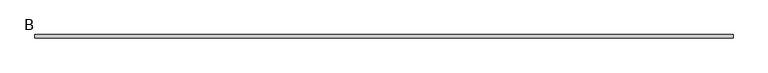
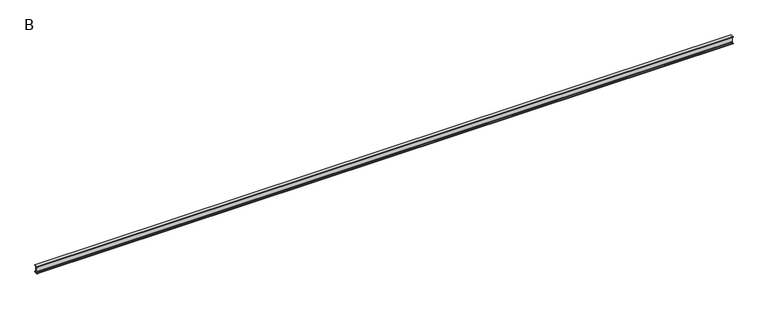
"""IFC4 building model written with IfcOpenShell, lengths in millimetres: beam geometry, B."""

from ifc_helpers import new_model, si_unit, point, frame, frame_2d, origin, place, context, project, spatial, polyline, circle_curve, trimmed, segment, composite_curve, outline, extrude, source, transform, mapped, element, save


def b_669ce034(model_context):
    return source(origin(), model_context, "Body", "SweptSolid", [
        extrude(outline(composite_curve([segment(polyline([(25.0, 50.0), (25.0, 48.5034153)]), True, "CONTINUOUS"), segment(trimmed(circle_curve(frame_2d((20.5, 48.5034153)), 4.5), [point((25.0, 48.5034153))], [point((21.126279, 44.047209))], False, "CARTESIAN"), True, "CONTINUOUS"), segment(polyline([(21.126279, 44.047209), (10.0974421, 42.497207)]), True, "CONTINUOUS"), segment(trimmed(circle_curve(frame_2d((11.35, 33.5847944)), 9.0), [point((10.0974421, 42.497207))], [point((2.35, 33.5847944))], True, "CARTESIAN"), True, "CONTINUOUS"), segment(polyline([(2.35, 33.5847944), (2.35, -33.5847944)]), True, "CONTINUOUS"), segment(trimmed(circle_curve(frame_2d((11.35, -33.5847944)), 9.0), [point((2.35, -33.5847944))], [point((10.0974421, -42.497207))], True, "CARTESIAN"), True, "CONTINUOUS"), segment(polyline([(10.0974421, -42.497207), (21.126279, -44.047209)]), True, "CONTINUOUS"), segment(trimmed(circle_curve(frame_2d((20.5, -48.5034153)), 4.5), [point((21.126279, -44.047209))], [point((25.0, -48.5034153))], False, "CARTESIAN"), True, "CONTINUOUS"), segment(polyline([(25.0, -48.5034153), (25.0, -50.0), (-25.0, -50.0), (-25.0, -48.5034153)]), True, "CONTINUOUS"), segment(trimmed(circle_curve(frame_2d((-20.5, -48.5034153)), 4.5), [point((-25.0, -48.5034153))], [point((-21.126279, -44.047209))], False, "CARTESIAN"), True, "CONTINUOUS"), segment(polyline([(-21.126279, -44.047209), (-10.0974421, -42.497207)]), True, "CONTINUOUS"), segment(trimmed(circle_curve(frame_2d((-11.35, -33.5847944)), 9.0), [point((-10.0974421, -42.497207))], [point((-2.35, -33.5847944))], True, "CARTESIAN"), True, "CONTINUOUS"), segment(polyline([(-2.35, -33.5847944), (-2.35, 33.5847944)]), True, "CONTINUOUS"), segment(trimmed(circle_curve(frame_2d((-11.35, 33.5847944)), 9.0), [point((-2.35, 33.5847944))], [point((-10.0974421, 42.497207))], True, "CARTESIAN"), True, "CONTINUOUS"), segment(polyline([(-10.0974421, 42.497207), (-21.126279, 44.047209)]), True, "CONTINUOUS"), segment(trimmed(circle_curve(frame_2d((-20.5, 48.5034153)), 4.5), [point((-21.126279, 44.047209))], [point((-25.0, 48.5034153))], False, "CARTESIAN"), True, "CONTINUOUS"), segment(polyline([(-25.0, 48.5034153), (-25.0, 50.0), (25.0, 50.0)]), True, "CONTINUOUS")], self_intersect=False)), frame((-4935.7, 0.0, 0.0), z_axis=(1.0, 0.0, 0.0), x_axis=(0.0, 1.0, 0.0)), (0.0, 0.0, 1.0), 9871.4),
    ])


if __name__ == "__main__":
    model = new_model("IFC4")
    model_context = context("Model", 3, world=origin())
    ifc_project = project(units=[si_unit("LENGTHUNIT", "METRE", prefix="MILLI")], contexts=[model_context])
    site = spatial("IfcSite", under=ifc_project)
    building = spatial("IfcBuilding", under=site)
    placement = place(None, origin())
    b_shape = b_669ce034(model_context)
    element("IfcBeam", 1, ObjectType="B", at=placement, inside=building, context=model_context, shape_type="MappedRepresentation", body=[
        mapped(b_shape, transform((0.0, 0.0, 0.0), x_axis=(1.0, 0.0, 0.0), y_axis=(0.0, 1.0, 0.0), z_axis=(0.0, 0.0, 1.0))),
    ])
    save(model, "model.ifc")
